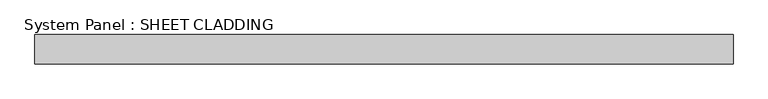
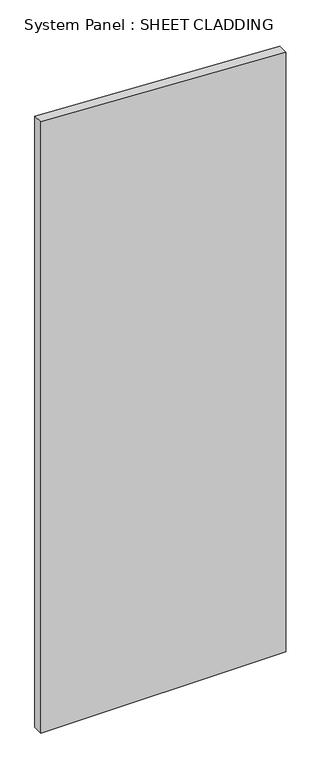
"""IFC4 building model written with IfcOpenShell, lengths in millimetres: plate geometry, System Panel : SHEET CLADDING."""

from ifc_helpers import new_model, si_unit, frame, origin, place, context, project, spatial, polyline, outline, extrude, source, transform, mapped, element, save


def system_panel_sheet_cladding_b4f54e89(model_context):
    return source(origin(), model_context, "Body", "SweptSolid", [
        extrude(outline(polyline([(0.0, -718.75), (0.0, 718.75), (3719.475, 718.75), (3791.35, -718.75), (0.0, -718.75)])), frame((0.0, -49.5, 0.0), z_axis=(0.0, 1.0, 0.0), x_axis=(0.0, 0.0, 1.0)), (0.0, 0.0, 1.0), 60.0),
    ])


if __name__ == "__main__":
    model = new_model("IFC4")
    model_context = context("Model", 3, world=origin())
    ifc_project = project(units=[si_unit("LENGTHUNIT", "METRE", prefix="MILLI")], contexts=[model_context])
    site = spatial("IfcSite", under=ifc_project)
    building = spatial("IfcBuilding", under=site)
    placement = place(None, origin())
    system_panel_sheet_cladding_shape = system_panel_sheet_cladding_b4f54e89(model_context)
    element("IfcPlate", 1, ObjectType="System Panel : SHEET CLADDING", at=placement, inside=building, context=model_context, shape_type="MappedRepresentation", body=[
        mapped(system_panel_sheet_cladding_shape, transform((0.0, 0.0, 0.0), x_axis=(1.0, 0.0, 0.0), y_axis=(0.0, 1.0, 0.0), z_axis=(0.0, 0.0, 1.0))),
    ])
    save(model, "model.ifc")
